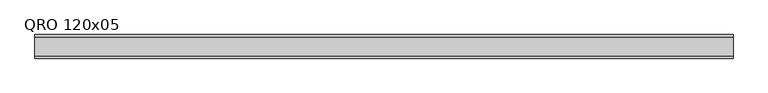
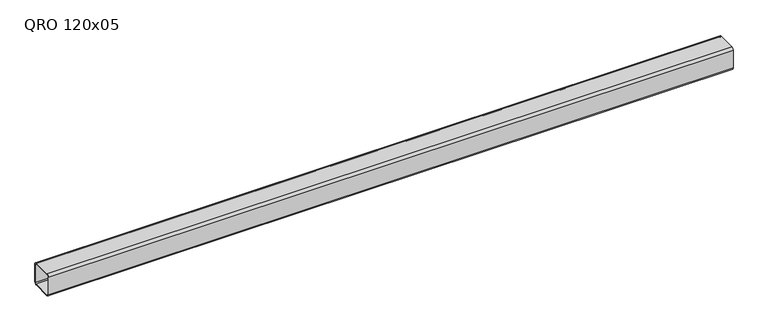
"""IFC4 building model written with IfcOpenShell, lengths in millimetres: beam geometry, QRO 120x05."""

from ifc_helpers import new_model, si_unit, point, frame, frame_2d, origin, place, context, project, spatial, polyline, circle_curve, trimmed, segment, composite_curve, outline, extrude, source, transform, mapped, element, save


def qro_120x05_2498769d(model_context):
    return source(origin(), model_context, "Body", "SweptSolid", [
        extrude(outline(composite_curve([segment(polyline([(60.0, 48.0), (60.0, -48.0)]), True, "CONTINUOUS"), segment(trimmed(circle_curve(frame_2d((48.0, -48.0)), 12.0), [point((60.0, -48.0))], [point((48.0, -60.0))], False, "CARTESIAN"), True, "CONTINUOUS"), segment(polyline([(48.0, -60.0), (-48.0, -60.0)]), True, "CONTINUOUS"), segment(trimmed(circle_curve(frame_2d((-48.0, -48.0)), 12.0), [point((-48.0, -60.0))], [point((-60.0, -48.0))], False, "CARTESIAN"), True, "CONTINUOUS"), segment(polyline([(-60.0, -48.0), (-60.0, 48.0)]), True, "CONTINUOUS"), segment(trimmed(circle_curve(frame_2d((-48.0, 48.0)), 12.0), [point((-60.0, 48.0))], [point((-48.0, 60.0))], False, "CARTESIAN"), True, "CONTINUOUS"), segment(polyline([(-48.0, 60.0), (48.0, 60.0)]), True, "CONTINUOUS"), segment(trimmed(circle_curve(frame_2d((48.0, 48.0)), 12.0), [point((48.0, 60.0))], [point((60.0, 48.0))], False, "CARTESIAN"), True, "CONTINUOUS")], self_intersect=False), holes=[composite_curve([segment(trimmed(circle_curve(frame_2d((-48.0, 48.0)), 6.0), [point((-48.0, 54.0))], [point((-54.0, 48.0))], True, "CARTESIAN"), True, "CONTINUOUS"), segment(polyline([(-54.0, 48.0), (-54.0, -48.0)]), True, "CONTINUOUS"), segment(trimmed(circle_curve(frame_2d((-48.0, -48.0)), 6.0), [point((-54.0, -48.0))], [point((-48.0, -54.0))], True, "CARTESIAN"), True, "CONTINUOUS"), segment(polyline([(-48.0, -54.0), (48.0, -54.0)]), True, "CONTINUOUS"), segment(trimmed(circle_curve(frame_2d((48.0, -48.0)), 6.0), [point((48.0, -54.0))], [point((54.0, -48.0))], True, "CARTESIAN"), True, "CONTINUOUS"), segment(polyline([(54.0, -48.0), (54.0, 48.0)]), True, "CONTINUOUS"), segment(trimmed(circle_curve(frame_2d((48.0, 48.0)), 6.0), [point((54.0, 48.0))], [point((48.0, 54.0))], True, "CARTESIAN"), True, "CONTINUOUS"), segment(polyline([(48.0, 54.0), (-48.0, 54.0)]), True, "CONTINUOUS")], self_intersect=False)]), frame((-1827.973012, 0.0, 0.0), z_axis=(1.0, 0.0, 0.0), x_axis=(0.0, 1.0, 0.0)), (0.0, 0.0, 1.0), 3539.7610187),
    ])


if __name__ == "__main__":
    model = new_model("IFC4")
    model_context = context("Model", 3, world=origin())
    ifc_project = project(units=[si_unit("LENGTHUNIT", "METRE", prefix="MILLI")], contexts=[model_context])
    site = spatial("IfcSite", under=ifc_project)
    building = spatial("IfcBuilding", under=site)
    placement = place(None, origin())
    qro_120x05_shape = qro_120x05_2498769d(model_context)
    element("IfcBeam", 1, ObjectType="QRO 120x05", at=placement, inside=building, context=model_context, shape_type="MappedRepresentation", body=[
        mapped(qro_120x05_shape, transform((0.0, 0.0, 0.0), x_axis=(1.0, 0.0, 0.0), y_axis=(0.0, 1.0, 0.0), z_axis=(0.0, 0.0, 1.0))),
    ])
    save(model, "model.ifc")
